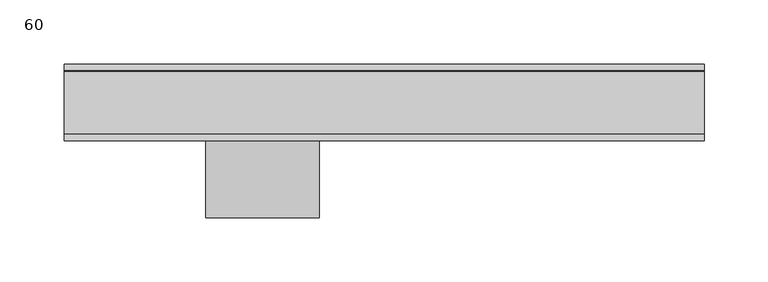
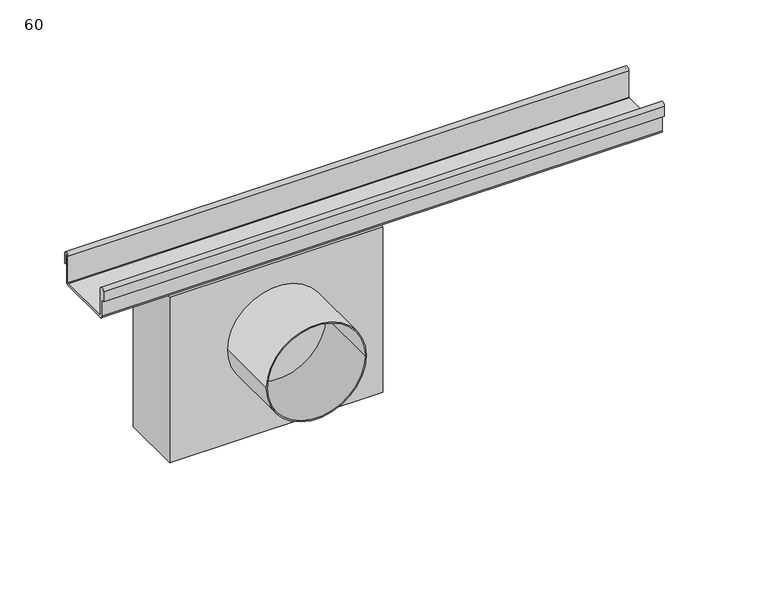
"""IFC4 building model written with IfcOpenShell, lengths in millimetres: sanitary terminal geometry, 60."""

from ifc_helpers import new_model, si_unit, point, frame, frame_2d, origin, place, context, project, spatial, polyline, circle_curve, trimmed, segment, composite_curve, outline, extrude, source, transform, mapped, element, save


def sanitary_terminal_60_4ec738db(model_context):
    return source(origin(), model_context, "Body", "SweptSolid", [
        extrude(outline(composite_curve([segment(trimmed(circle_curve(frame_2d((-96.0, 155.0)), 44.45), [point((-96.0, 110.55))], [point((-96.0, 199.45))], False, "CARTESIAN"), True, "CONTINUOUS"), segment(trimmed(circle_curve(frame_2d((-96.0, 155.0)), 44.45), [point((-96.0, 199.45))], [point((-96.0, 110.55))], False, "CARTESIAN"), True, "CONTINUOUS")], self_intersect=False), holes=[composite_curve([segment(trimmed(circle_curve(frame_2d((-96.0, 155.0)), 43.45), [point((-96.0, 111.55))], [point((-96.0, 198.45))], True, "CARTESIAN"), True, "CONTINUOUS"), segment(trimmed(circle_curve(frame_2d((-96.0, 155.0)), 43.45), [point((-96.0, 198.45))], [point((-96.0, 111.55))], True, "CARTESIAN"), True, "CONTINUOUS")], self_intersect=False)]), frame((0.0, -90.0, 0.0), z_axis=(0.0, 1.0, 0.0), x_axis=(0.0, 0.0, 1.0)), (0.0, 0.0, 1.0), 60.0),
        extrude(outline(polyline([(250.0, 27.9864263), (250.0, -27.9864263), (60.0, -27.9864263), (60.0, 27.9864263), (250.0, 27.9864263)])), frame((0.0, 0.0, -186.0), z_axis=(0.0, 0.0, 1.0), x_axis=(1.0, 0.0, 0.0)), (0.0, 0.0, 1.0), 156.0),
        extrude(outline(composite_curve([segment(polyline([(30.0, -12.0), (27.9864263, -12.0), (27.9864263, -2.5)]), True, "CONTINUOUS"), segment(trimmed(circle_curve(frame_2d((27.5, -2.5)), 0.4864263), [point((27.9864263, -2.5))], [point((27.0135737, -2.5))], True, "CARTESIAN"), True, "CONTINUOUS"), segment(polyline([(27.0135737, -2.5), (27.0135737, -27.5)]), True, "CONTINUOUS"), segment(trimmed(circle_curve(frame_2d((24.5, -27.5)), 2.5135737), [point((27.0135737, -27.5))], [point((24.5, -30.0135737))], False, "CARTESIAN"), True, "CONTINUOUS"), segment(polyline([(24.5, -30.0135737), (-24.5, -30.0135737)]), True, "CONTINUOUS"), segment(trimmed(circle_curve(frame_2d((-24.5, -27.5)), 2.5135737), [point((-24.5, -30.0135737))], [point((-27.0135737, -27.5))], False, "CARTESIAN"), True, "CONTINUOUS"), segment(polyline([(-27.0135737, -27.5), (-27.0135737, -2.5)]), True, "CONTINUOUS"), segment(trimmed(circle_curve(frame_2d((-27.5, -2.5)), 0.4864263), [point((-27.0135737, -2.5))], [point((-27.9864263, -2.5))], True, "CARTESIAN"), True, "CONTINUOUS"), segment(polyline([(-27.9864263, -2.5), (-27.9864263, -12.0), (-30.0, -12.0), (-30.0, -2.5)]), True, "CONTINUOUS"), segment(trimmed(circle_curve(frame_2d((-27.5, -2.5)), 2.5), [point((-30.0, -2.5))], [point((-25.0, -2.5))], False, "CARTESIAN"), True, "CONTINUOUS"), segment(polyline([(-25.0, -2.5), (-25.0, -27.5)]), True, "CONTINUOUS"), segment(trimmed(circle_curve(frame_2d((-24.5, -27.5)), 0.5), [point((-25.0, -27.5))], [point((-24.5, -28.0))], True, "CARTESIAN"), True, "CONTINUOUS"), segment(polyline([(-24.5, -28.0), (24.5, -28.0)]), True, "CONTINUOUS"), segment(trimmed(circle_curve(frame_2d((24.5, -27.5)), 0.5), [point((24.5, -28.0))], [point((25.0, -27.5))], True, "CARTESIAN"), True, "CONTINUOUS"), segment(polyline([(25.0, -27.5), (25.0, -2.5)]), True, "CONTINUOUS"), segment(trimmed(circle_curve(frame_2d((27.5, -2.5)), 2.5), [point((25.0, -2.5))], [point((30.0, -2.5))], False, "CARTESIAN"), True, "CONTINUOUS"), segment(polyline([(30.0, -2.5), (30.0, -12.0)]), True, "CONTINUOUS")], self_intersect=False)), frame((0.0, 0.0, 0.0), z_axis=(1.0, 0.0, 0.0), x_axis=(0.0, 1.0, 0.0)), (0.0, 0.0, 1.0), 500.0),
    ])


if __name__ == "__main__":
    model = new_model("IFC4")
    model_context = context("Model", 3, world=origin())
    ifc_project = project(units=[si_unit("LENGTHUNIT", "METRE", prefix="MILLI")], contexts=[model_context])
    site = spatial("IfcSite", under=ifc_project)
    building = spatial("IfcBuilding", under=site)
    placement = place(None, origin())
    sanitary_terminal_60_shape = sanitary_terminal_60_4ec738db(model_context)
    element("IfcSanitaryTerminal", 1, ObjectType="60", at=placement, inside=building, context=model_context, shape_type="MappedRepresentation", body=[
        mapped(sanitary_terminal_60_shape, transform((0.0, 0.0, 0.0), x_axis=(1.0, 0.0, 0.0), y_axis=(0.0, 1.0, 0.0), z_axis=(0.0, 0.0, 1.0))),
    ])
    save(model, "model.ifc")
